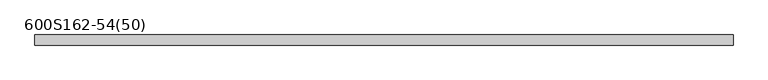
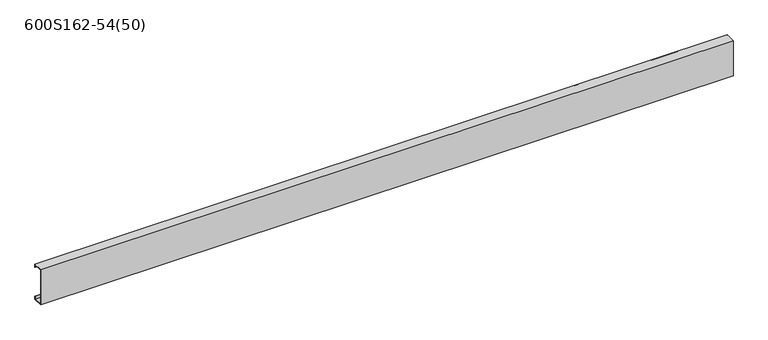
"""IFC4 building model written with IfcOpenShell, lengths in millimetres: member geometry, 600S162-54(50)."""

from ifc_helpers import new_model, si_unit, frame, origin, place, context, project, spatial, polyline, outline, extrude, source, transform, mapped, element, save


def member_600s162_54_50_4b6626e8(model_context):
    return source(origin(), model_context, "Body", "SweptSolid", [
        extrude(outline(polyline([(-20.6375, 76.2), (20.6375, 76.2), (20.6375, 63.5), (19.2484375, 63.5), (19.2484375, 74.8109375), (-19.2484375, 74.8109375), (-19.2484375, -74.8109375), (19.2484375, -74.8109375), (19.2484375, -63.5), (20.6375, -63.5), (20.6375, -76.2), (-20.6375, -76.2), (-20.6375, 76.2)])), frame((-1425.0, 0.0, 0.0), z_axis=(1.0, 0.0, 0.0), x_axis=(0.0, 1.0, 0.0)), (0.0, 0.0, 1.0), 2850.0),
    ])


if __name__ == "__main__":
    model = new_model("IFC4")
    model_context = context("Model", 3, world=origin())
    ifc_project = project(units=[si_unit("LENGTHUNIT", "METRE", prefix="MILLI")], contexts=[model_context])
    site = spatial("IfcSite", under=ifc_project)
    building = spatial("IfcBuilding", under=site)
    placement = place(None, origin())
    member_600s162_54_50_shape = member_600s162_54_50_4b6626e8(model_context)
    element("IfcMember", 1, ObjectType="600S162-54(50)", at=placement, inside=building, context=model_context, shape_type="MappedRepresentation", body=[
        mapped(member_600s162_54_50_shape, transform((0.0, 0.0, 0.0), x_axis=(1.0, 0.0, 0.0), y_axis=(0.0, 1.0, 0.0), z_axis=(0.0, 0.0, 1.0))),
    ])
    save(model, "model.ifc")
